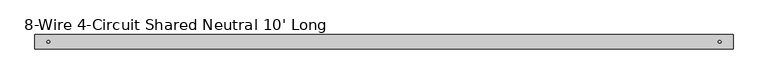
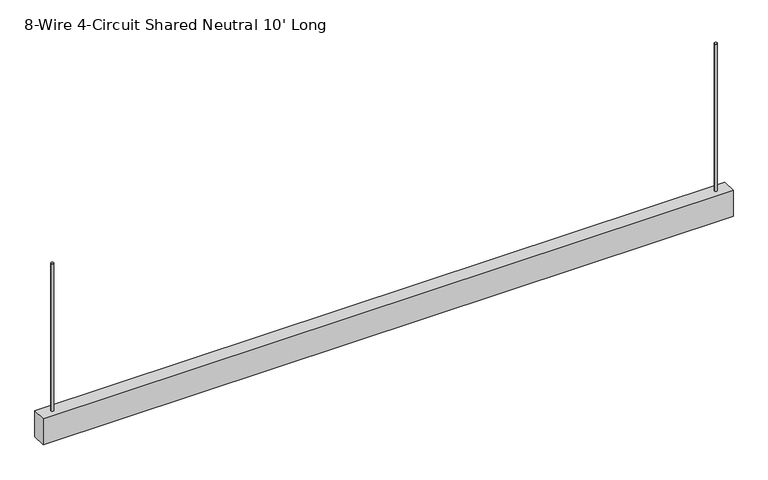
"""IFC4 building model written with IfcOpenShell, lengths in millimetres: furniture geometry, 8-Wire 4-Circuit Shared Neutral 10' Long."""

from ifc_helpers import new_model, si_unit, point, frame, frame_2d, origin, place, context, project, spatial, polyline, circle_curve, trimmed, segment, composite_curve, outline, extrude, source, transform, mapped, element, save


def furniture_8_wire_4_circuit_shared_neutral_10_long_6b22151e(model_context):
    return source(origin(), model_context, "Body", "SweptSolid", [
        extrude(outline(composite_curve([segment(trimmed(circle_curve(frame_2d((595.2998, 0.0)), 2.54), [point((597.8398, 0.0))], [point((592.7598, 0.0))], False, "CARTESIAN"), True, "CONTINUOUS"), segment(trimmed(circle_curve(frame_2d((595.2998, 0.0)), 2.54), [point((592.7598, 0.0))], [point((597.8398, 0.0))], False, "CARTESIAN"), True, "CONTINUOUS")], self_intersect=False)), frame((0.0, 0.0, 1751.0252), z_axis=(0.0, 0.0, 1.0), x_axis=(1.0, 0.0, 0.0)), (0.0, 0.0, 1.0), 279.4),
        extrude(outline(composite_curve([segment(trimmed(circle_curve(frame_2d((-595.2998, 0.0)), 2.54), [point((-597.8398, 0.0))], [point((-592.7598, 0.0))], False, "CARTESIAN"), True, "CONTINUOUS"), segment(trimmed(circle_curve(frame_2d((-595.2998, 0.0)), 2.54), [point((-592.7598, 0.0))], [point((-597.8398, 0.0))], False, "CARTESIAN"), True, "CONTINUOUS")], self_intersect=False)), frame((0.0, 0.0, 1751.0252), z_axis=(0.0, 0.0, 1.0), x_axis=(1.0, 0.0, 0.0)), (0.0, 0.0, 1.0), 279.4),
        extrude(outline(polyline([(-619.125, -12.7), (-619.125, 12.7), (619.125, 12.7), (619.125, -12.7), (-619.125, -12.7)])), frame((0.0, 0.0, 1701.8), z_axis=(0.0, 0.0, 1.0), x_axis=(1.0, 0.0, 0.0)), (0.0, 0.0, 1.0), 49.2252),
    ])


if __name__ == "__main__":
    model = new_model("IFC4")
    model_context = context("Model", 3, world=origin())
    ifc_project = project(units=[si_unit("LENGTHUNIT", "METRE", prefix="MILLI")], contexts=[model_context])
    site = spatial("IfcSite", under=ifc_project)
    building = spatial("IfcBuilding", under=site)
    placement = place(None, origin())
    furniture_8_wire_4_circuit_shared_neutral_10_long_shape = furniture_8_wire_4_circuit_shared_neutral_10_long_6b22151e(model_context)
    element("IfcFurniture", 1, ObjectType="8-Wire 4-Circuit Shared Neutral 10' Long", at=placement, inside=building, context=model_context, shape_type="MappedRepresentation", body=[
        mapped(furniture_8_wire_4_circuit_shared_neutral_10_long_shape, transform((0.0, 0.0, 0.0), x_axis=(1.0, 0.0, 0.0), y_axis=(0.0, 1.0, 0.0), z_axis=(0.0, 0.0, 1.0))),
    ])
    save(model, "model.ifc")
